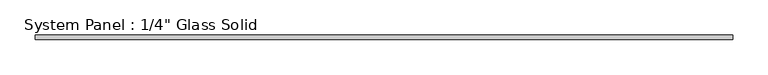
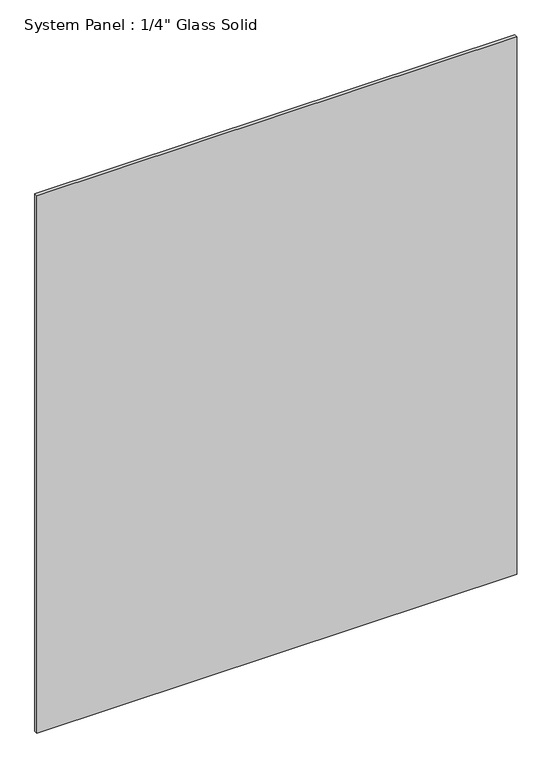
"""IFC4 building model written with IfcOpenShell, lengths in millimetres: plate geometry."""

from ifc_helpers import new_model, si_unit, origin, origin_with_axes, place, context, project, spatial, polyline, outline, extrude, source, transform, mapped, element, save


def plate_24c76a56(model_context):
    return source(origin(), model_context, "Body", "SweptSolid", [
        extrude(outline(polyline([(495.3008852, -3.175), (-495.3008852, -3.175), (-495.3008852, 3.175), (495.3008852, 3.175), (495.3008852, -3.175)])), origin_with_axes(), (0.0, 0.0, 1.0), 1172.7344027),
    ])


if __name__ == "__main__":
    model = new_model("IFC4")
    model_context = context("Model", 3, world=origin())
    ifc_project = project(units=[si_unit("LENGTHUNIT", "METRE", prefix="MILLI")], contexts=[model_context])
    site = spatial("IfcSite", under=ifc_project)
    building = spatial("IfcBuilding", under=site)
    placement = place(None, origin())
    plate_shape = plate_24c76a56(model_context)
    element("IfcPlate", 1, ObjectType="System Panel : 1/4\" Glass Solid", at=placement, inside=building, context=model_context, shape_type="MappedRepresentation", body=[
        mapped(plate_shape, transform((0.0, 0.0, 0.0), x_axis=(1.0, 0.0, 0.0), y_axis=(0.0, 1.0, 0.0), z_axis=(0.0, 0.0, 1.0))),
    ])
    save(model, "model.ifc")
